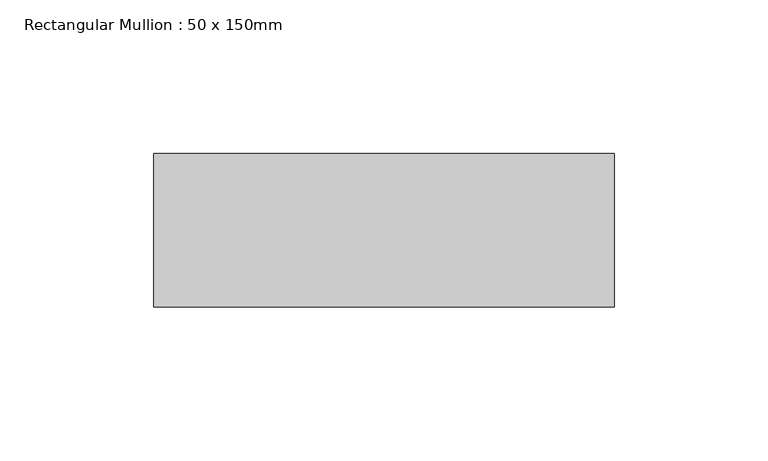
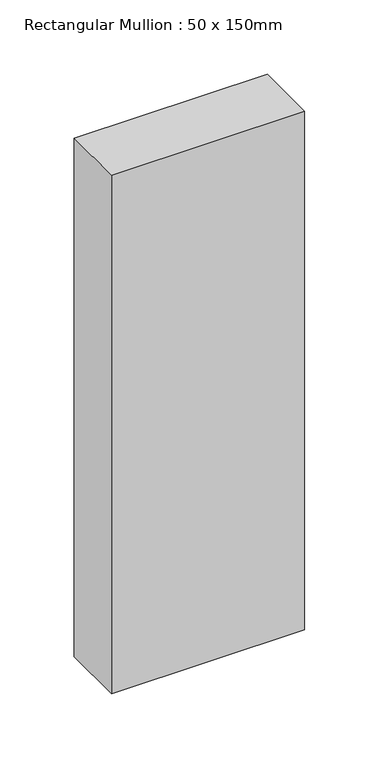
"""IFC4 building model written with IfcOpenShell, lengths in millimetres: member geometry, Rectangular Mullion : 50 x 150mm."""

from ifc_helpers import new_model, si_unit, frame, origin, place, context, project, spatial, polyline, outline, extrude, source, transform, mapped, element, save


def rectangular_mullion_50_x_150mm_4fd1d582(model_context):
    return source(origin(), model_context, "Body", "SweptSolid", [
        extrude(outline(polyline([(150.0, 50.0), (150.0, 0.0), (0.0, 0.0), (0.0, 50.0), (150.0, 50.0)])), frame((0.0, 0.0, -425.0), z_axis=(0.0, 0.0, 1.0), x_axis=(1.0, 0.0, 0.0)), (0.0, 0.0, 1.0), 425.0),
    ])


if __name__ == "__main__":
    model = new_model("IFC4")
    model_context = context("Model", 3, world=origin())
    ifc_project = project(units=[si_unit("LENGTHUNIT", "METRE", prefix="MILLI")], contexts=[model_context])
    site = spatial("IfcSite", under=ifc_project)
    building = spatial("IfcBuilding", under=site)
    placement = place(None, origin())
    rectangular_mullion_50_x_150mm_shape = rectangular_mullion_50_x_150mm_4fd1d582(model_context)
    element("IfcMember", 1, ObjectType="Rectangular Mullion : 50 x 150mm", at=placement, inside=building, context=model_context, shape_type="MappedRepresentation", body=[
        mapped(rectangular_mullion_50_x_150mm_shape, transform((0.0, 0.0, 0.0), x_axis=(1.0, 0.0, 0.0), y_axis=(0.0, 1.0, 0.0), z_axis=(0.0, 0.0, 1.0))),
    ])
    save(model, "model.ifc")
